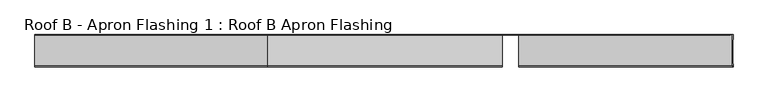
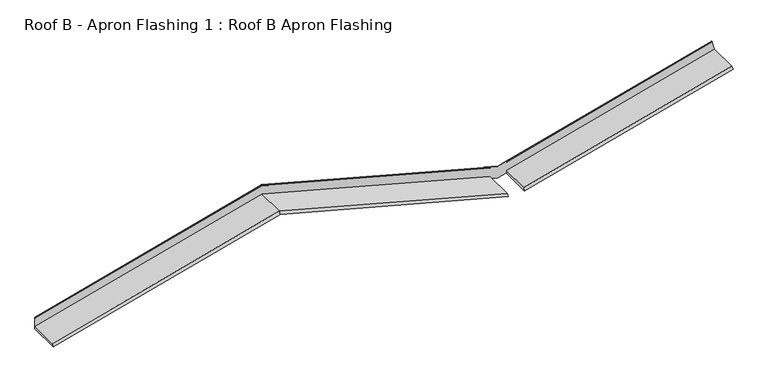
"""IFC4 building model written with IfcOpenShell, lengths in millimetres: proxy geometry, Roof B - Apron Flashing 1 : Roof B Apron Flashing."""

from ifc_helpers import new_model, si_unit, frame, origin, place, context, project, spatial, circle_curve, ellipse_curve, source, transform, mapped, element, save
from ifc_brep_helpers import plane_surface, cylinder_surface, advanced_brep


def roof_b_apron_flashing_1_roof_b_apron_flashing_36053c32(model_context):
    return source(origin(), model_context, "Body", "AdvancedBrep", [
        advanced_brep(
        [(7217.9826273, -430.9050751, 3936.6815328), (7224.9707415, -447.7765476, 3910.6015355), (7224.9707415, -412.4175022, 3910.6015355), (7220.7382213, -412.4175022, 3926.3975159), (7220.7382213, -138.5394115, 3926.3975159), (7224.9707415, -138.5394115, 3910.6015355), (7224.9707415, -85.5, 3910.6015355), (7189.8139585, -85.5, 4041.808436), (7189.7201206, -86.7239884, 4042.1586439), (7191.2306039, -90.5139698, 4036.5214433), (7191.3715669, -89.6752992, 4035.9953624), (7190.1060629, -86.5, 4040.7182876), (7217.9826273, -86.5, 3936.6815328), (2000.0, -430.9050751, 3993.4914166), (2000.0, -447.7765476, 3965.5389597), (4630.0, -447.7765476, 3260.8325836), (4630.0, -430.9050751, 3288.7850405), (2000.0, -85.5, 3965.5389597), (4715.0, -85.5, 3238.0569023), (4715.0, -86.5, 3238.0569023), (4630.0, -86.5, 3260.8325836), (2000.0, -86.7239884, 4106.5414436), (2000.0, -90.5139698, 4100.4995101), (4630.0, -90.5139698, 3395.793134), (4630.0, -86.7239884, 3401.8350675), (2000.0, -86.5, 3993.4914166), (4630.0, -86.5, 3288.7850405), (-617.8589424, -447.7765476, 3264.0857702), (-617.8589424, -85.5, 3264.0857702), (-617.8589424, -86.7239884, 3405.0882541), (-617.8589424, -90.5139698, 3399.0463206), (-617.8589424, -86.5, 3292.0382271), (-617.8589424, -430.9050751, 3292.0382271), (4818.2096165, -430.9050751, 3293.6642926), (4818.2096165, -447.7765476, 3265.7118357), (4898.525907, -138.5394115, 3287.2325209), (4898.525907, -412.4175022, 3287.2325209), (4818.2096165, -86.5, 3265.7118357), (-617.8589424, -85.5, 3404.7129024), (2000.0, -85.5, 4106.1660919), (4715.0, -85.5, 3378.6840344), (4818.2096165, -86.7239884, 3406.7143195), (4818.2096165, -90.5139698, 3400.6723861), (4818.2096165, -86.5, 3405.1705503), (4818.2096165, -86.5, 3406.9349346), (4715.0, -86.5, 3379.2800012), (4630.0, -86.5, 3402.0556826), (4630.0, -86.5, 3400.2912982), (2000.0, -86.5, 4104.9976743), (-617.8589424, -86.5, 3403.5444848), (4818.2096165, -86.5, 3293.6642926), (4818.2096165, -89.6752992, 3400.1085343), (2000.0, -89.6752992, 4099.9356583), (4630.0, -89.6752992, 3395.2292822), (-617.8589424, -89.6752992, 3398.4824688), (4898.525907, -138.5394115, 3304.1626016), (4898.525907, -412.4175022, 3304.1626016)],
        [
            (0, 1),
            (1, 2),
            (2, 3),
            (3, 4),
            (4, 5),
            (5, 6),
            (6, 7),
            (7, 8, circle_curve(frame((7189.8139585, -86.1656921, 4041.808436), z_axis=(0.9659258262890694, 0.0, 0.2588190451025169), x_axis=(-0.2588190451025169, 0.0, 0.9659258262890694)), 0.6656921)),
            (8, 9),
            (9, 10, circle_curve(frame((7191.3010854, -90.0946345, 4036.2584028), z_axis=(0.9659258262890694, 0.0, 0.2588190451025169), x_axis=(-0.2588190451025169, 0.0, 0.9659258262890694)), 0.5)),
            (10, 11),
            (11, 12),
            (12, 0),
            (13, 14),
            (14, 15),
            (15, 16),
            (16, 13),
            (14, 17),
            (17, 18),
            (18, 19),
            (19, 20),
            (20, 15),
            (21, 22),
            (22, 23),
            (23, 24),
            (24, 21),
            (25, 13),
            (16, 26),
            (26, 25),
            (14, 27),
            (27, 28),
            (28, 17),
            (21, 29),
            (29, 30),
            (30, 22),
            (25, 31),
            (31, 32),
            (32, 13),
            (0, 33),
            (33, 34),
            (34, 1),
            (18, 6),
            (5, 35),
            (35, 36),
            (36, 2),
            (34, 37),
            (37, 19),
            (28, 38),
            (38, 39),
            (39, 40),
            (40, 7),
            (8, 41),
            (41, 42),
            (42, 9),
            (11, 43),
            (43, 44),
            (44, 45),
            (45, 46),
            (46, 47),
            (47, 48),
            (48, 49),
            (49, 31),
            (26, 20),
            (37, 50),
            (50, 12),
            (50, 33),
            (40, 45, ellipse_curve(frame((4715.0, -86.1656921, 3378.6840344), z_axis=(1.0, 0.0, 0.0), x_axis=(0.0, 0.0, 1.0)), 0.6891751, 0.6656921)),
            (44, 41, ellipse_curve(frame((4818.2096165, -86.1656921, 3406.3389678), z_axis=(1.0, 0.0, 0.0), x_axis=(0.0, 0.0, 1.0)), 0.6891751, 0.6656921)),
            (42, 51, ellipse_curve(frame((4818.2096165, -90.0946345, 3400.3904602), z_axis=(1.0, 0.0, 0.0), x_axis=(0.0, 0.0, 1.0)), 0.5176381, 0.5)),
            (51, 10),
            (51, 43),
            (39, 21, ellipse_curve(frame((2000.0, -86.1656921, 4106.1660919), z_axis=(1.0, 0.0, 0.0), x_axis=(0.0, 0.0, -1.0)), 0.6891751, 0.6656921)),
            (24, 46, ellipse_curve(frame((4630.0, -86.1656921, 3401.4597158), z_axis=(-1.0, 0.0, 0.0), x_axis=(0.0, 0.0, -1.0)), 0.6891751, 0.6656921)),
            (22, 52, ellipse_curve(frame((2000.0, -90.0946345, 4100.2175842), z_axis=(1.0, 0.0, 0.0), x_axis=(0.0, 0.0, -1.0)), 0.5176381, 0.5)),
            (52, 53),
            (53, 23, ellipse_curve(frame((4630.0, -90.0946345, 3395.5112081), z_axis=(-1.0, 0.0, 0.0), x_axis=(0.0, 0.0, -1.0)), 0.5176381, 0.5)),
            (52, 48),
            (47, 53),
            (38, 29, ellipse_curve(frame((-617.8589424, -86.1656921, 3404.7129024), z_axis=(1.0, 0.0, 0.0), x_axis=(0.0, 0.0, 1.0)), 0.6891751, 0.6656921)),
            (30, 54, ellipse_curve(frame((-617.8589424, -90.0946345, 3398.7643947), z_axis=(1.0, 0.0, 0.0), x_axis=(0.0, 0.0, 1.0)), 0.5176381, 0.5)),
            (54, 52),
            (54, 49),
            (32, 27),
            (4, 55),
            (55, 35),
            (36, 56),
            (56, 3),
            (56, 55),
        ],
        [
            plane_surface(frame((7245.7256649, -95.0, 3833.1431071), z_axis=(0.9659258262890694, 0.0, 0.2588190451025169), x_axis=(0.0, 1.0, 0.0))),
            plane_surface(frame((4715.0, -430.9050751, 3266.0093592), z_axis=(0.1371531979502686, -0.8480480961564247, 0.5118627031709555), x_axis=(-0.9659258262890684, 0.0, 0.2588190451025201))),
            plane_surface(frame((4715.0, -447.7765476, 3238.0569023), z_axis=(-0.2588190451025201, 0.0, -0.9659258262890684), x_axis=(-0.9659258262890684, 0.0, 0.2588190451025201))),
            plane_surface(frame((4715.0, -86.7239884, 3379.0593861), z_axis=(0.14096295496814815, -0.838670567945422, 0.5260809099261741), x_axis=(-0.9659258262890685, 0.0, 0.2588190451025201))),
            plane_surface(frame((4715.0, -86.5, 3266.0093592), z_axis=(0.2588190451025201, 0.0, 0.9659258262890684), x_axis=(-0.9659258262890684, 0.0, 0.2588190451025201))),
            plane_surface(frame((2000.0, -447.7765476, 3965.5389597), z_axis=(0.25881904510252013, 0.0, -0.9659258262890685), x_axis=(-0.9659258262890685, 0.0, -0.25881904510252013))),
            plane_surface(frame((2000.0, -86.7239884, 4106.5414436), z_axis=(-0.1409629549681481, -0.8386705679454222, 0.526080909926174), x_axis=(-0.9659258262890685, 0.0, -0.25881904510252))),
            plane_surface(frame((2000.0, -86.5, 3993.4914166), z_axis=(-0.2588190451025201, 0.0, 0.9659258262890684), x_axis=(-0.9659258262890684, 0.0, -0.2588190451025201))),
            plane_surface(frame((7217.9826273, -430.9050751, 3936.6815328), z_axis=(-0.13715319795026698, -0.848048096156425, 0.511862703170956), x_axis=(-0.9659258262890693, 0.0, -0.258819045102517))),
            plane_surface(frame((7224.9707415, -447.7765476, 3910.6015355), z_axis=(0.2588190451025171, 0.0, -0.9659258262890693), x_axis=(-0.9659258262890693, 0.0, -0.2588190451025171))),
            plane_surface(frame((7224.9707415, -85.5, 3910.6015355), z_axis=(0.0, 1.0, 0.0), x_axis=(-0.9659258262890693, 0.0, -0.2588190451025171))),
            plane_surface(frame((7189.7201206, -86.7239884, 4042.1586439), z_axis=(-0.1409629549681465, -0.8386705679454222, 0.5260809099261744), x_axis=(-0.9659258262890693, 0.0, -0.25881904510251713))),
            plane_surface(frame((7190.1060629, -86.5, 4040.7182876), z_axis=(0.0, -1.0, 0.0), x_axis=(-0.9659258262890693, 0.0, -0.258819045102517))),
            plane_surface(frame((7217.9826273, -86.5, 3936.6815328), z_axis=(-0.2588190451025169, 0.0, 0.9659258262890694), x_axis=(-0.9659258262890694, 0.0, -0.2588190451025169))),
            cylinder_surface(frame((7189.8139585, -86.1656921, 4041.808436), z_axis=(0.9659258262890694, 0.0, 0.2588190451025169), x_axis=(-0.2588190451025169, 0.0, 0.9659258262890694)), 0.6656921),
            cylinder_surface(frame((7191.3010854, -90.0946345, 4036.2584028), z_axis=(0.9659258262890694, 0.0, 0.2588190451025169), x_axis=(-0.2588190451025169, 0.0, 0.9659258262890694)), 0.5),
            plane_surface(frame((7191.3715669, -89.6752992, 4035.9953624), z_axis=(0.1409629549681444, 0.8386705679454272, -0.5260809099261671), x_axis=(-0.9659258262890694, 0.0, -0.2588190451025169))),
            cylinder_surface(frame((4770.9117064, -86.1656921, 3363.7025379), z_axis=(0.9659258262890684, 0.0, -0.2588190451025201), x_axis=(0.2588190451025201, 0.0, 0.9659258262890684)), 0.6656921),
            cylinder_surface(frame((4769.4245795, -90.0946345, 3358.1525047), z_axis=(0.9659258262890684, 0.0, -0.2588190451025201), x_axis=(0.2588190451025201, 0.0, 0.9659258262890684)), 0.5),
            plane_surface(frame((4715.0, -89.6752992, 3372.4536009), z_axis=(-0.14096295496814612, 0.8386705679454273, -0.5260809099261665), x_axis=(-0.9659258262890685, 0.0, 0.2588190451025201))),
            cylinder_surface(frame((1944.0882936, -86.1656921, 4091.1845953), z_axis=(0.9659258262890684, 0.0, 0.2588190451025201), x_axis=(-0.2588190451025201, 0.0, 0.9659258262890684)), 0.6656921),
            cylinder_surface(frame((1945.5754205, -90.0946345, 4085.6345621), z_axis=(0.9659258262890684, 0.0, 0.2588190451025201), x_axis=(-0.2588190451025201, 0.0, 0.9659258262890684)), 0.5),
            plane_surface(frame((2000.0, -89.6752992, 4099.9356583), z_axis=(0.1409629549681462, 0.838670567945427, -0.5260809099261665), x_axis=(-0.9659258262890684, 0.0, -0.25881904510252024))),
            plane_surface(frame((2000.0, -430.9050751, 3993.4914166), z_axis=(-0.1371531979502685, -0.848048096156425, 0.5118627031709555), x_axis=(-0.9659258262890685, 0.0, -0.2588190451025199))),
            plane_surface(frame((4818.2096165, -795.5629082, 3660.9894786), z_axis=(-1.0, 0.0, 0.0), x_axis=(0.0, 0.0, -1.0))),
            plane_surface(frame((4630.0, -86.5, 3660.9894786), z_axis=(1.0, 0.0, 0.0), x_axis=(0.0, 0.0, -1.0))),
            plane_surface(frame((-617.8589424, -760.5629082, 3739.5229882), z_axis=(-1.0, 0.0, 0.0), x_axis=(0.0, 0.0, -1.0))),
            plane_surface(frame((4898.525907, -138.5394115, 3204.1626016), z_axis=(0.0, -1.0, 0.0), x_axis=(-1.0, 0.0, 0.0))),
            plane_surface(frame((4898.525907, -412.4175022, 3204.1626016), z_axis=(0.0, 1.0, 0.0), x_axis=(1.0, 0.0, 0.0))),
            plane_surface(frame((7613.525907, -412.4175022, 4031.6446591), z_axis=(0.25881904510251846, 0.0, -0.965925826289069), x_axis=(0.0, 1.0, 0.0))),
            plane_surface(frame((4898.525907, -412.4175022, 3304.1626016), z_axis=(1.0, 0.0, 0.0), x_axis=(0.0, 1.0, 0.0))),
        ],
        [
            (0, [[1, 2, 3, 4, 5, 6, 7, 8, 9, 10, 11, 12, 13]]),
            (1, [[14, 15, 16, 17]]),
            (2, [[18, 19, 20, 21, 22, -15]]),
            (3, [[23, 24, 25, 26]]),
            (4, [[27, -17, 28, 29]]),
            (5, [[-18, 30, 31, 32]]),
            (6, [[-23, 33, 34, 35]]),
            (7, [[-27, 36, 37, 38]]),
            (8, [[-1, 39, 40, 41]]),
            (9, [[42, -6, 43, 44, 45, -2, -41, 46, 47, -20]]),
            (10, [[-7, -42, -19, -32, 48, 49, 50, 51]]),
            (11, [[-9, 52, 53, 54]]),
            (12, [[-12, 55, 56, 57, 58, 59, 60, 61, 62, -36, -29, 63, -21, -47, 64, 65]]),
            (13, [[-13, -65, 66, -39]]),
            (14, [[-8, -51, 67, -57, 68, -52]]),
            (15, [[-10, -54, 69, 70]]),
            (16, [[-11, -70, 71, -55]]),
            (17, [[-50, 72, -26, 73, -58, -67]]),
            (18, [[74, 75, 76, -24]]),
            (19, [[77, -60, 78, -75]]),
            (20, [[-72, -49, 79, -33]]),
            (21, [[-74, -35, 80, 81]]),
            (22, [[-77, -81, 82, -61]]),
            (23, [[-14, -38, 83, -30]]),
            (24, [[-64, -46, -40, -66]]),
            (24, [[-56, -71, -69, -53, -68]]),
            (25, [[-63, -28, -16, -22]]),
            (25, [[-59, -73, -25, -76, -78]]),
            (26, [[-31, -83, -37, -62, -82, -80, -34, -79, -48]]),
            (27, [[84, 85, -43, -5]]),
            (28, [[86, 87, -3, -45]]),
            (29, [[88, -84, -4, -87]]),
            (30, [[-88, -86, -44, -85]]),
        ],
    ),
    ])


if __name__ == "__main__":
    model = new_model("IFC4")
    model_context = context("Model", 3, world=origin())
    ifc_project = project(units=[si_unit("LENGTHUNIT", "METRE", prefix="MILLI")], contexts=[model_context])
    site = spatial("IfcSite", under=ifc_project)
    building = spatial("IfcBuilding", under=site)
    placement = place(None, origin())
    roof_b_apron_flashing_1_roof_b_apron_flashing_shape = roof_b_apron_flashing_1_roof_b_apron_flashing_36053c32(model_context)
    element("IfcBuildingElementProxy", 1, Name="Roof B - Apron Flashing 1 : Roof B Apron Flashing", ObjectType="Roof B - Apron Flashing 1 : Roof B Apron Flashing", at=placement, inside=building, context=model_context, shape_type="MappedRepresentation", body=[
        mapped(roof_b_apron_flashing_1_roof_b_apron_flashing_shape, transform((0.0, 0.0, 0.0), x_axis=(1.0, 0.0, 0.0), y_axis=(0.0, 1.0, 0.0), z_axis=(0.0, 0.0, 1.0))),
    ])
    save(model, "model.ifc")
